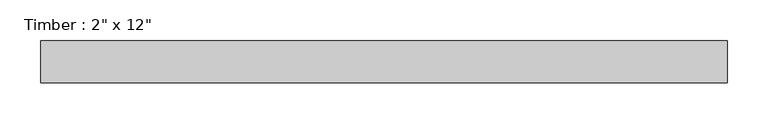
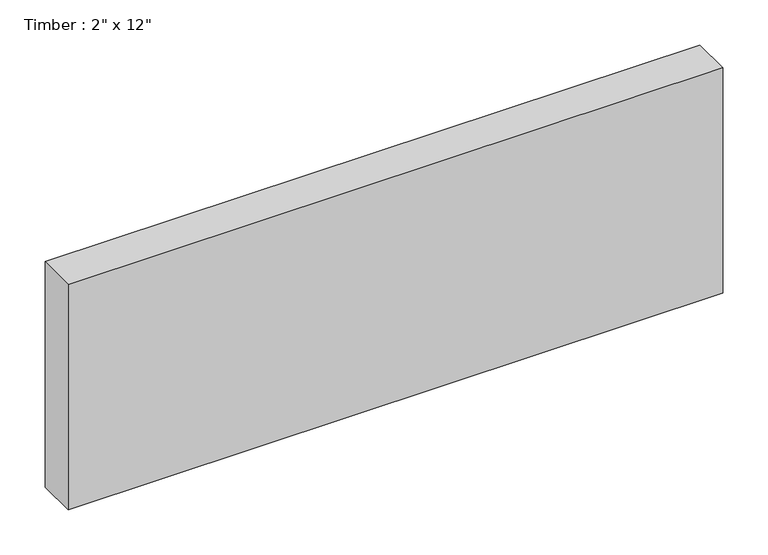
"""IFC4 building model written with IfcOpenShell, lengths in millimetres: beam geometry."""

from ifc_helpers import new_model, si_unit, frame, origin, place, context, project, spatial, polyline, outline, extrude, source, transform, mapped, element, save


def beam_9e76c6d2(model_context):
    return source(origin(), model_context, "Body", "SweptSolid", [
        extrude(outline(polyline([(416.9170353, 25.4), (416.9170353, -25.4), (-420.0354773, -25.4), (-420.0354773, 25.4), (416.9170353, 25.4)])), frame((0.0, 0.0, -152.4), z_axis=(0.0, 0.0, 1.0), x_axis=(1.0, 0.0, 0.0)), (0.0, 0.0, 1.0), 304.8),
    ])


if __name__ == "__main__":
    model = new_model("IFC4")
    model_context = context("Model", 3, world=origin())
    ifc_project = project(units=[si_unit("LENGTHUNIT", "METRE", prefix="MILLI")], contexts=[model_context])
    site = spatial("IfcSite", under=ifc_project)
    building = spatial("IfcBuilding", under=site)
    placement = place(None, origin())
    beam_shape = beam_9e76c6d2(model_context)
    element("IfcBeam", 1, ObjectType="Timber : 2\" x 12\"", at=placement, inside=building, context=model_context, shape_type="MappedRepresentation", body=[
        mapped(beam_shape, transform((0.0, 0.0, 0.0), x_axis=(1.0, 0.0, 0.0), y_axis=(0.0, 1.0, 0.0), z_axis=(0.0, 0.0, 1.0))),
    ])
    save(model, "model.ifc")
